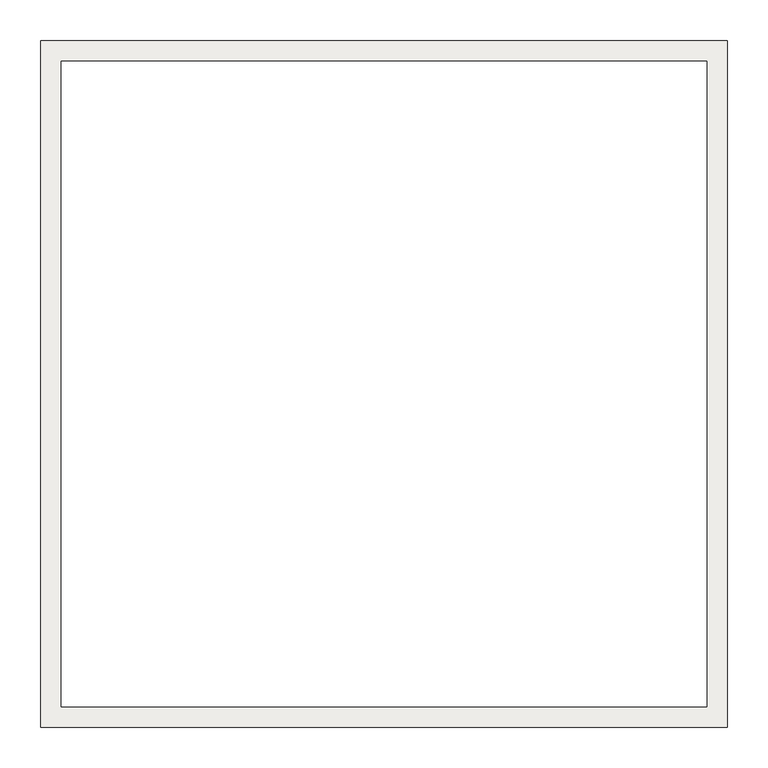
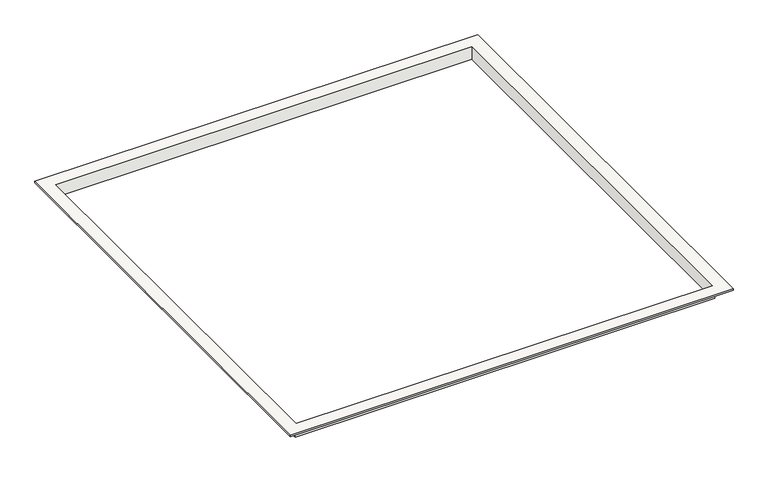
"""IFC4 building model written with IfcOpenShell, lengths in millimetres: covering geometry."""

from ifc_helpers import new_model, si_unit, origin, place, context, project, spatial, faceted_brep, source, transform, mapped, element, save


def covering_2fbddbac(model_context):
    return source(origin(), model_context, "Body", "Brep", [
        faceted_brep([(395.0, 395.0, 3.0), (395.0, 395.0, -22.0), (395.0, -395.0, -22.0), (395.0, -395.0, 3.0), (420.0, 420.0, 0.0), (420.0, 420.0, 3.0), (420.0, -420.0, 3.0), (420.0, -420.0, 0.0), (-395.0, -395.0, -22.0), (-395.0, -395.0, 3.0), (-420.0, -420.0, 3.0), (-420.0, -420.0, 0.0), (-395.0, 395.0, -22.0), (-395.0, 395.0, 3.0), (-420.0, 420.0, 3.0), (-420.0, 420.0, 0.0), (398.0, -398.0, -22.0), (-398.0, -398.0, -22.0), (-398.0, 398.0, -22.0), (398.0, 398.0, -22.0), (398.0, 398.0, 0.0), (398.0, -398.0, 0.0), (-398.0, -398.0, 0.0), (-398.0, 398.0, 0.0)], [[[0, 1, 2, 3]], [[4, 5, 6, 7]], [[3, 2, 8, 9]], [[7, 6, 10, 11]], [[9, 8, 12, 13]], [[11, 10, 14, 15]], [[16, 17, 18, 19], [1, 12, 8, 2]], [[13, 12, 1, 0]], [[5, 14, 10, 6], [3, 9, 13, 0]], [[15, 14, 5, 4]], [[19, 20, 21, 16]], [[16, 21, 22, 17]], [[17, 22, 23, 18]], [[7, 11, 15, 4], [20, 23, 22, 21]], [[18, 23, 20, 19]]]),
    ])


if __name__ == "__main__":
    model = new_model("IFC4")
    model_context = context("Model", 3, world=origin())
    ifc_project = project(units=[si_unit("LENGTHUNIT", "METRE", prefix="MILLI")], contexts=[model_context])
    site = spatial("IfcSite", under=ifc_project)
    building = spatial("IfcBuilding", under=site)
    placement = place(None, origin())
    covering_shape = covering_2fbddbac(model_context)
    element("IfcCovering", 1, at=placement, inside=building, context=model_context, shape_type="MappedRepresentation", body=[
        mapped(covering_shape, transform((0.0, 0.0, 0.0), x_axis=(1.0, 0.0, 0.0), y_axis=(0.0, 1.0, 0.0), z_axis=(0.0, 0.0, 1.0))),
    ])
    save(model, "model.ifc")
